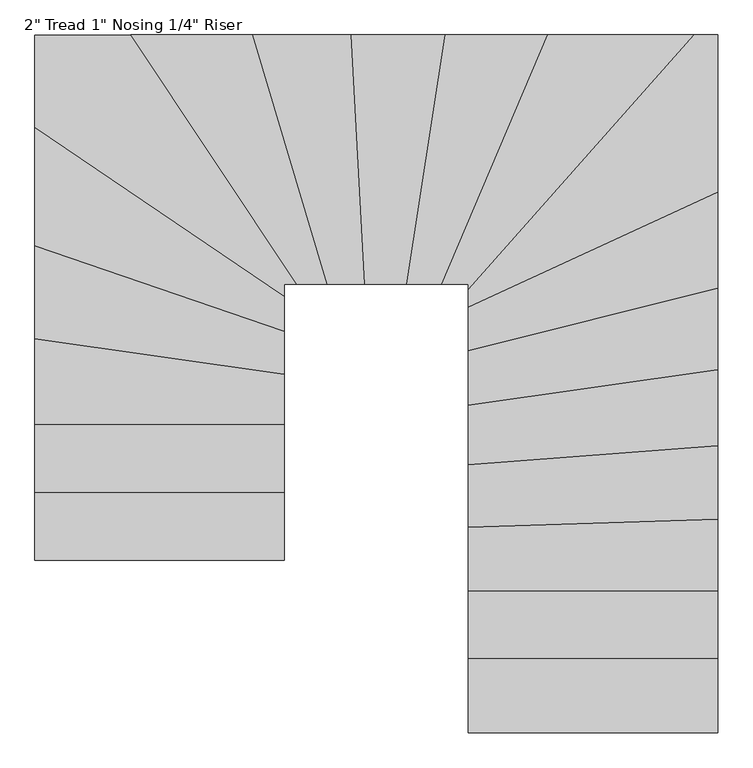
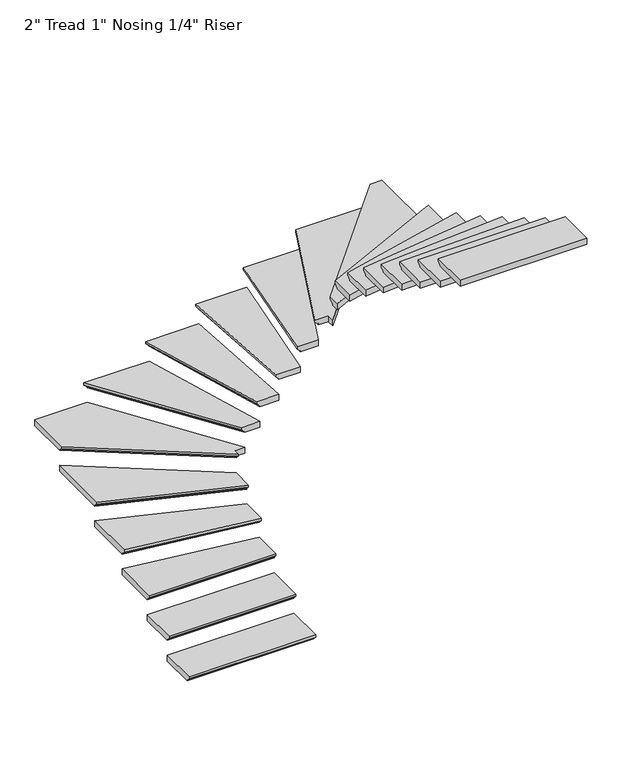
"""IFC4 building model written with IfcOpenShell, lengths in millimetres: stair flight geometry."""

import ifcopenshell
import ifcopenshell.guid

model = None  # the IFC model being written
_history = None  # IfcOwnerHistory: only IFC2X3 demands one
_inside = {}  # id of a spatial element -> (the spatial element, [elements in it])
_under = {}  # id of a project, library or spatial element -> (it, [spatial elements below it])
_declared = {}  # id of a project -> (the project, [libraries it declares])
_typed = {}  # id of a type object -> (the type object, [elements of that type])
_made_of = {}  # id of a material, layer set ... -> (it, [elements and type objects made of it])


def new_model(schema):
    """Start an empty IFC model of exactly this schema.

    Asked for "IFC4X3", IfcOpenShell would pick the latest addendum, in which some entities
    have other attributes; the version numbers below select the first issue.
    IFC2X3 requires an IfcOwnerHistory on every rooted entity: one is made here for all.
    """
    global model, _history
    if schema == "IFC4X3":
        model = ifcopenshell.file(schema_version=(4, 3, 0, 0))
    else:
        model = ifcopenshell.file(schema=schema)
    _inside.clear()
    _under.clear()
    _declared.clear()
    _typed.clear()
    _made_of.clear()
    _history = None
    if model.schema == "IFC2X3":
        org = make("IfcOrganization", Name="unknown")
        user = make(
            "IfcPersonAndOrganization",
            ThePerson=make("IfcPerson", FamilyName="unknown"),
            TheOrganization=org,
        )
        app = make(
            "IfcApplication",
            ApplicationDeveloper=org,
            Version="unknown",
            ApplicationFullName="unknown",
            ApplicationIdentifier="unknown",
        )
        _history = make(
            "IfcOwnerHistory",
            OwningUser=user,
            OwningApplication=app,
            ChangeAction="ADDED",
            CreationDate=0,
        )
    return model


def make(cls, **values):
    """One entity of the class cls with the attributes given. An attribute that is None is left unset."""
    return model.create_entity(
        cls, **{name: value for name, value in values.items() if value is not None}
    )


def rooted(cls, **values):
    """An entity with a GlobalId (a new one), such as an element, a storey or a relation."""
    return make(cls, GlobalId=ifcopenshell.guid.new(), OwnerHistory=_history, **values)


def si_unit(unit_type, name, prefix=None):
    """IfcSIUnit, for example si_unit("LENGTHUNIT", "METRE", prefix="MILLI")."""
    return make("IfcSIUnit", UnitType=unit_type, Prefix=prefix, Name=name)


def assignment(units):
    """IfcUnitAssignment: the units of a project."""
    return None if units is None else make("IfcUnitAssignment", Units=units)


def point(xyz):
    """IfcCartesianPoint."""
    return None if xyz is None else make("IfcCartesianPoint", Coordinates=xyz)


def direction(xyz):
    """IfcDirection."""
    return None if xyz is None else make("IfcDirection", DirectionRatios=xyz)


def frame(location, z_axis=None, x_axis=None):
    """IfcAxis2Placement3D, a coordinate frame: its origin and axes. An axis left out is left unset."""
    return make(
        "IfcAxis2Placement3D",
        Location=point(location),
        Axis=direction(z_axis),
        RefDirection=direction(x_axis),
    )


def origin():
    """The frame at (0, 0, 0) with its axes left unset."""
    return frame((0.0, 0.0, 0.0))


def place(relative_to, where):
    """IfcLocalPlacement: puts the frame where relative to a parent placement (None: the world)."""
    return make(
        "IfcLocalPlacement", PlacementRelTo=relative_to, RelativePlacement=where
    )


def context(
    kind, dimensions, precision=None, world=None, true_north=None, identifier=None
):
    """IfcGeometricRepresentationContext, for example the 3D "Model" context."""
    return make(
        "IfcGeometricRepresentationContext",
        ContextIdentifier=identifier,
        ContextType=kind,
        CoordinateSpaceDimension=dimensions,
        Precision=precision,
        WorldCoordinateSystem=world,
        TrueNorth=true_north,
    )


def project(units=None, contexts=None):
    """IfcProject with its units and contexts."""
    return rooted(
        "IfcProject",
        Name="project",
        RepresentationContexts=contexts,
        UnitsInContext=assignment(units),
    )


def spatial(cls, under=None, at=None, **own):
    """A site, building, storey or space (cls), placed at a placement, below another one or the project."""
    s = rooted(cls, ObjectPlacement=at, **own)
    if under is not None:
        _under.setdefault(under.id(), (under, []))[1].append(s)
    return s


def faces_of(points, faces, orient=None, outer=None):
    """IfcFace entities. A face is a list of loops; a loop is a list of indices into points, from 0.

    orient and outer hold one flag for each loop. By default every Orientation is true, the
    first loop of a face is its IfcFaceOuterBound and the others are IfcFaceBound.
    """
    made = []
    for i, loops in enumerate(faces):
        bounds = []
        for j, loop in enumerate(loops):
            is_outer = j == 0 if outer is None else outer[i][j]
            bounds.append(
                make(
                    "IfcFaceOuterBound" if is_outer else "IfcFaceBound",
                    Bound=make("IfcPolyLoop", Polygon=[points[k] for k in loop]),
                    Orientation=True if orient is None else orient[i][j],
                )
            )
        made.append(make("IfcFace", Bounds=bounds))
    return made


def faceted_brep(points, faces, orient=None, outer=None, voids=None):
    """IfcFacetedBrep: a solid bounded by flat faces; with voids (closed shells), ...WithVoids."""
    shared = [point(p) for p in points]
    hull = make("IfcClosedShell", CfsFaces=faces_of(shared, faces, orient, outer))
    if voids is None:
        return make("IfcFacetedBrep", Outer=hull)
    return make(
        "IfcFacetedBrepWithVoids",
        Outer=hull,
        Voids=[
            make(cls, CfsFaces=faces_of(shared, fs, o, b)) for cls, fs, o, b in voids
        ],
    )


def shape(context_of_items, identifier, shape_type, items):
    """IfcShapeRepresentation: the items that make up one representation, for example the "Body"."""
    return make(
        "IfcShapeRepresentation",
        ContextOfItems=context_of_items,
        RepresentationIdentifier=identifier,
        RepresentationType=shape_type,
        Items=items,
    )


def source(mapping_origin, context_of_items, identifier, shape_type, items):
    """IfcRepresentationMap: a shape defined once, which mapped items show again and again."""
    return make(
        "IfcRepresentationMap",
        MappingOrigin=mapping_origin,
        MappedRepresentation=shape(context_of_items, identifier, shape_type, items),
    )


def transform(
    local_origin,
    x_axis=None,
    y_axis=None,
    z_axis=None,
    scale=None,
    scale2=None,
    scale3=None,
    uniform=True,
):
    """IfcCartesianTransformationOperator3D, or its non-uniform kind. x_axis, y_axis, z_axis: its Axis1, 2, 3."""
    if uniform:
        return make(
            "IfcCartesianTransformationOperator3D",
            Axis1=direction(x_axis),
            Axis2=direction(y_axis),
            LocalOrigin=point(local_origin),
            Scale=scale,
            Axis3=direction(z_axis),
        )
    return make(
        "IfcCartesianTransformationOperator3DnonUniform",
        Axis1=direction(x_axis),
        Axis2=direction(y_axis),
        LocalOrigin=point(local_origin),
        Scale=scale,
        Axis3=direction(z_axis),
        Scale2=scale2,
        Scale3=scale3,
    )


def mapped(mapping_source, mapping_target):
    """IfcMappedItem: shows the shape of a source again, moved by a transform."""
    return make(
        "IfcMappedItem", MappingSource=mapping_source, MappingTarget=mapping_target
    )


def made_of(thing, what):
    """Note that an element or type object is made of a material, layer set ...; save() writes the relation."""
    if what is not None:
        _made_of.setdefault(what.id(), (what, []))[1].append(thing)
    return thing


def element(
    cls,
    number,
    at=None,
    inside=None,
    cuts=None,
    type_object=None,
    material=None,
    context=None,
    identifier="Body",
    shape_type=None,
    held_by="IfcProductDefinitionShape",
    body=None,
    shapes=None,
    **own,
):
    """One element of the class cls, such as IfcWall. Its Tag is "e" and its number.

    at: its placement. inside: the storey or other place that contains it. cuts: it is an
    opening in that element (IfcRelVoidsElement). A single representation is given by context,
    identifier, shape_type and body (its items); several are given by shapes. held_by: the class
    of the entity that holds the representations. save() writes the other relations.
    """
    e = rooted(cls, Tag="e%d" % number, ObjectPlacement=at, **own)
    if body is not None:
        shapes = [shape(context, identifier, shape_type, body)]
    if shapes is not None:
        e.Representation = make(held_by, Representations=shapes)
    if inside is not None:
        _inside.setdefault(inside.id(), (inside, []))[1].append(e)
    if cuts is not None:
        rooted(
            "IfcRelVoidsElement", RelatingBuildingElement=cuts, RelatedOpeningElement=e
        )
    if type_object is not None:
        _typed.setdefault(type_object.id(), (type_object, []))[1].append(e)
    return made_of(e, material)


def aggregate(whole, parts):
    """IfcRelAggregates: a whole, such as a stair, and the parts it consists of."""
    return rooted("IfcRelAggregates", RelatingObject=whole, RelatedObjects=parts)


def save(model, path):
    """Write the relations noted so far, then the file.

    IfcRelAggregates (storeys below a building ...), IfcRelContainedInSpatialStructure (elements
    in a storey), IfcRelDefinesByType, IfcRelAssociatesMaterial and IfcRelDeclares: one each for
    every whole, place, type object, material and project.
    """
    for whole, parts in _under.values():
        aggregate(whole, parts)
    for where, things in _inside.values():
        rooted(
            "IfcRelContainedInSpatialStructure",
            RelatedElements=things,
            RelatingStructure=where,
        )
    for kind, things in _typed.values():
        rooted("IfcRelDefinesByType", RelatedObjects=things, RelatingType=kind)
    for what, things in _made_of.values():
        rooted("IfcRelAssociatesMaterial", RelatedObjects=things, RelatingMaterial=what)
    for by, libraries in _declared.values():
        rooted("IfcRelDeclares", RelatingContext=by, RelatedDefinitions=libraries)
    model.write(path)


def stair_flight_3d540893(model_context):
    return source(origin(), model_context, "Body", "Brep", [
        faceted_brep([(5347.9344111, -3179.2896107, 3358.7277778), (5347.9344111, -3179.2896107, 3377.7777778), (4322.5594563, -3179.2896107, 3377.7777778), (4322.5594563, -3179.2896107, 3358.7277778), (5347.9344111, -3153.8896107, 3333.3277778), (4322.5594563, -3153.8896107, 3333.3277778), (5347.9344111, -2874.4896107, 3377.7777778), (4322.5594563, -2874.4896107, 3377.7777778), (4322.5594563, -3153.8896107, 3326.9777778), (4322.5594563, -2874.4896107, 3326.9777778), (5347.9344111, -2874.4896107, 3326.9777778), (5347.9344111, -3153.8896107, 3326.9777778)], [[[0, 1, 2, 3]], [[4, 0, 3, 5]], [[2, 1, 6, 7]], [[8, 9, 10, 11]], [[2, 7, 9, 8, 5, 3]], [[8, 11, 4, 5]], [[6, 1, 0, 4, 11, 10]], [[7, 6, 10, 9]]]),
        faceted_brep([(4322.5594563, -2620.4896107, 3733.3333333), (5347.9344111, -2620.4896107, 3733.3333333), (5347.9344111, -2388.1181572, 3733.3333333), (4322.5594563, -2242.7531124, 3733.3333333), (4322.5594563, -2595.0896107, 3682.5333333), (4322.5594563, -2242.7531124, 3682.5333333), (5347.9344111, -2388.1181572, 3682.5333333), (5347.9344111, -2595.0896107, 3682.5333333), (4322.5594563, -2595.0896107, 3688.8833333), (4322.5594563, -2620.4896107, 3714.2833333), (5347.9344111, -2595.0896107, 3688.8833333), (5347.9344111, -2620.4896107, 3714.2833333)], [[[0, 1, 2, 3]], [[4, 5, 6, 7]], [[0, 3, 5, 4, 8, 9]], [[4, 7, 10, 8]], [[2, 1, 11, 10, 7, 6]], [[3, 2, 6, 5]], [[11, 1, 0, 9]], [[10, 11, 9, 8]]]),
        faceted_brep([(4322.5594563, -2268.4070882, 3911.1111111), (5347.9344111, -2413.7721331, 3911.1111111), (5347.9344111, -2210.573619, 3911.1111111), (4322.5594563, -1859.1041536, 3911.1111111), (4322.5594563, -2242.7531124, 3860.3111111), (4322.5594563, -1859.1041536, 3860.3111111), (5347.9344111, -2210.573619, 3860.3111111), (5347.9344111, -2388.1181572, 3860.3111111), (4322.5594563, -2242.7531124, 3866.6611111), (4322.5594563, -2268.4070882, 3892.0611111), (5347.9344111, -2388.1181572, 3866.6611111), (5347.9344111, -2413.7721331, 3892.0611111)], [[[0, 1, 2, 3]], [[4, 5, 6, 7]], [[0, 3, 5, 4, 8, 9]], [[4, 7, 10, 8]], [[2, 1, 11, 10, 7, 6]], [[3, 2, 6, 5]], [[11, 1, 0, 9]], [[10, 11, 9, 8]]]),
        faceted_brep([(4322.5594563, -1885.954878, 4088.8888889), (5347.9344111, -2237.4243434, 4088.8888889), (5347.9344111, -2062.3826996, 4088.8888889), (4322.5594563, -1366.3506497, 4088.8888889), (4322.5594563, -1859.1041536, 4038.0888889), (4322.5594563, -1366.3506497, 4038.0888889), (5347.9344111, -2062.3826996, 4038.0888889), (5347.9344111, -2210.573619, 4038.0888889), (4322.5594563, -1859.1041536, 4044.4388889), (4322.5594563, -1885.954878, 4069.8388889), (5347.9344111, -2210.573619, 4044.4388889), (5347.9344111, -2237.4243434, 4069.8388889)], [[[0, 1, 2, 3]], [[4, 5, 6, 7]], [[0, 3, 5, 4, 8, 9]], [[4, 7, 10, 8]], [[2, 1, 11, 10, 7, 6]], [[3, 2, 6, 5]], [[11, 1, 0, 9]], [[10, 11, 9, 8]]]),
        faceted_brep([(4747.7464262, -1017.982756, 4266.6666667), (4322.5594563, -1017.982756, 4266.6666667), (4322.5594563, -1397.0497775, 4266.6666667), (5347.9344111, -2093.0818273, 4266.6666667), (5347.9344111, -2043.3577108, 4266.6666667), (5430.5225076, -2043.3577108, 4266.6666667), (4322.5594563, -1017.982756, 4215.8666667), (4747.7464262, -1017.982756, 4215.8666667), (5430.5225076, -2043.3577108, 4215.8666667), (5347.9344111, -2043.3577108, 4215.8666667), (5347.9344111, -2062.3826996, 4215.8666667), (4322.5594563, -1366.3506497, 4215.8666667), (5347.9344111, -2062.3826996, 4222.2166667), (4322.5594563, -1366.3506497, 4222.2166667), (5347.9344111, -2093.0818273, 4247.6166667), (4322.5594563, -1397.0497775, 4247.6166667)], [[[0, 1, 2, 3, 4, 5]], [[6, 7, 8, 9, 10, 11]], [[1, 0, 7, 6]], [[11, 10, 12, 13]], [[4, 3, 14, 12, 10, 9]], [[0, 5, 8, 7]], [[14, 3, 2, 15]], [[12, 14, 15, 13]], [[2, 1, 6, 11, 13, 15]], [[5, 4, 9, 8]]]),
        faceted_brep([(4717.2305127, -1017.982756, 4444.4444444), (5400.006594, -2043.3577108, 4444.4444444), (5552.347037, -2043.3577108, 4444.4444444), (5246.6057355, -1017.982756, 4444.4444444), (4747.7464262, -1017.982756, 4393.6444444), (5246.6057355, -1017.982756, 4393.6444444), (5552.347037, -2043.3577108, 4393.6444444), (5430.5225076, -2043.3577108, 4393.6444444), (4747.7464262, -1017.982756, 4399.9944444), (4717.2305127, -1017.982756, 4425.3944444), (5430.5225076, -2043.3577108, 4399.9944444), (5400.006594, -2043.3577108, 4425.3944444)], [[[0, 1, 2, 3]], [[4, 5, 6, 7]], [[0, 3, 5, 4, 8, 9]], [[4, 7, 10, 8]], [[2, 1, 11, 10, 7, 6]], [[3, 2, 6, 5]], [[11, 1, 0, 9]], [[10, 11, 9, 8]]]),
        faceted_brep([(5220.100639, -1017.982756, 4622.2222222), (5525.8419404, -2043.3577108, 4622.2222222), (5705.8421375, -2043.3577108, 4622.2222222), (5649.7763241, -1017.982756, 4622.2222222), (5246.6057355, -1017.982756, 4571.4222222), (5649.7763241, -1017.982756, 4571.4222222), (5705.8421375, -2043.3577108, 4571.4222222), (5552.347037, -2043.3577108, 4571.4222222), (5246.6057355, -1017.982756, 4577.7722222), (5220.100639, -1017.982756, 4603.1722222), (5552.347037, -2043.3577108, 4577.7722222), (5525.8419404, -2043.3577108, 4603.1722222)], [[[0, 1, 2, 3]], [[4, 5, 6, 7]], [[0, 3, 5, 4, 8, 9]], [[4, 7, 10, 8]], [[3, 2, 6, 5]], [[11, 1, 0, 9]], [[10, 11, 9, 8]], [[2, 1, 11, 10, 7, 6]]]),
        faceted_brep([(5624.3383829, -1017.982756, 4800.0), (5680.4041964, -2043.3577108, 4800.0), (5878.5194238, -2043.3577108, 4800.0), (6036.4219729, -1017.982756, 4800.0), (5649.7763241, -1017.982756, 4749.2), (6036.4219729, -1017.982756, 4749.2), (5878.5194238, -2043.3577108, 4749.2), (5705.8421375, -2043.3577108, 4749.2), (5649.7763241, -1017.982756, 4755.55), (5624.3383829, -1017.982756, 4780.95), (5705.8421375, -2043.3577108, 4755.55), (5680.4041964, -2043.3577108, 4780.95)], [[[0, 1, 2, 3]], [[4, 5, 6, 7]], [[0, 3, 5, 4, 8, 9]], [[4, 7, 10, 8]], [[2, 1, 11, 10, 7, 6]], [[3, 2, 6, 5]], [[11, 1, 0, 9]], [[10, 11, 9, 8]]]),
        faceted_brep([(6010.7225642, -1017.982756, 4977.7777778), (5852.8200151, -2043.3577108, 4977.7777778), (6024.7848263, -2043.3577108, 4977.7777778), (6461.4411592, -1017.982756, 4977.7777778), (6036.4219729, -1017.982756, 4926.9777778), (6461.4411592, -1017.982756, 4926.9777778), (6024.7848263, -2043.3577108, 4926.9777778), (5878.5194238, -2043.3577108, 4926.9777778), (6036.4219729, -1017.982756, 4933.3277778), (6010.7225642, -1017.982756, 4958.7277778), (5878.5194238, -2043.3577108, 4933.3277778), (5852.8200151, -2043.3577108, 4958.7277778)], [[[0, 1, 2, 3]], [[4, 5, 6, 7]], [[0, 3, 5, 4, 8, 9]], [[4, 7, 10, 8]], [[2, 1, 11, 10, 7, 6]], [[3, 2, 6, 5]], [[11, 1, 0, 9]], [[10, 11, 9, 8]]]),
        faceted_brep([(6433.8339348, -1017.982756, 5155.5555556), (5997.177602, -2043.3577108, 5155.5555556), (6106.9845015, -2043.3577108, 5155.5555556), (6106.9845015, -2105.8614194, 5155.5555556), (7070.582027, -1017.982756, 5155.5555556), (6461.4411592, -1017.982756, 5104.7555556), (7070.582027, -1017.982756, 5104.7555556), (6106.9845015, -2105.8614194, 5104.7555556), (6106.9845015, -2043.3577108, 5104.7555556), (6024.7848263, -2043.3577108, 5104.7555556), (6461.4411592, -1017.982756, 5111.1055556), (6433.8339348, -1017.982756, 5136.5055556), (6024.7848263, -2043.3577108, 5111.1055556), (5997.177602, -2043.3577108, 5136.5055556)], [[[0, 1, 2, 3, 4]], [[5, 6, 7, 8, 9]], [[0, 4, 6, 5, 10, 11]], [[5, 9, 12, 10]], [[2, 1, 13, 12, 9, 8]], [[4, 3, 7, 6]], [[13, 1, 0, 11]], [[12, 13, 11, 10]], [[3, 2, 8, 7]]]),
        faceted_brep([(7132.3594563, -1692.6301748, 5333.3333333), (7132.3594563, -1017.982756, 5333.3333333), (7036.6507478, -1017.982756, 5333.3333333), (6106.9845015, -2067.5538131, 5333.3333333), (6106.9845015, -2167.5459498, 5333.3333333), (7132.3594563, -1017.982756, 5282.5333333), (7132.3594563, -1692.6301748, 5282.5333333), (6106.9845015, -2167.5459498, 5282.5333333), (6106.9845015, -2105.8614194, 5282.5333333), (7070.582027, -1017.982756, 5282.5333333), (6106.9845015, -2105.8614194, 5288.8833333), (7070.582027, -1017.982756, 5288.8833333), (6106.9845015, -2067.5538131, 5314.2833333), (7036.6507478, -1017.982756, 5314.2833333)], [[[0, 1, 2, 3, 4]], [[5, 6, 7, 8, 9]], [[1, 0, 6, 5]], [[9, 8, 10, 11]], [[4, 3, 12, 10, 8, 7]], [[0, 4, 7, 6]], [[12, 3, 2, 13]], [[10, 12, 13, 11]], [[2, 1, 5, 9, 11, 13]]]),
        faceted_brep([(7132.3594563, -1664.6380381, 5511.1111111), (6106.9845015, -2139.5538131, 5511.1111111), (6106.9845015, -2343.889525, 5511.1111111), (7132.3594563, -2086.6567233, 5511.1111111), (7132.3594563, -1692.6301748, 5460.3111111), (7132.3594563, -2086.6567233, 5460.3111111), (6106.9845015, -2343.889525, 5460.3111111), (6106.9845015, -2167.5459498, 5460.3111111), (7132.3594563, -1692.6301748, 5466.6611111), (7132.3594563, -1664.6380381, 5492.0611111), (6106.9845015, -2167.5459498, 5466.6611111), (6106.9845015, -2139.5538131, 5492.0611111)], [[[0, 1, 2, 3]], [[4, 5, 6, 7]], [[0, 3, 5, 4, 8, 9]], [[4, 7, 10, 8]], [[2, 1, 11, 10, 7, 6]], [[3, 2, 6, 5]], [[11, 1, 0, 9]], [[10, 11, 9, 8]]]),
        faceted_brep([(7132.3594563, -2060.4696524, 5688.8888889), (6106.9845015, -2317.7024541, 5688.8888889), (6106.9845015, -2567.2608349, 5688.8888889), (7132.3594563, -2421.0252945, 5688.8888889), (7132.3594563, -2086.6567233, 5638.0888889), (7132.3594563, -2421.0252945, 5638.0888889), (6106.9845015, -2567.2608349, 5638.0888889), (6106.9845015, -2343.889525, 5638.0888889), (7132.3594563, -2086.6567233, 5644.4388889), (7132.3594563, -2060.4696524, 5669.8388889), (6106.9845015, -2343.889525, 5644.4388889), (6106.9845015, -2317.7024541, 5669.8388889)], [[[0, 1, 2, 3]], [[4, 5, 6, 7]], [[0, 3, 5, 4, 8, 9]], [[4, 7, 10, 8]], [[2, 1, 11, 10, 7, 6]], [[3, 2, 6, 5]], [[11, 1, 0, 9]], [[10, 11, 9, 8]]]),
        faceted_brep([(7132.3594563, -2395.3682831, 5866.6666667), (6106.9845015, -2541.6038234, 5866.6666667), (6106.9845015, -2812.6074815, 5866.6666667), (7132.3594563, -2734.1132558, 5866.6666667), (7132.3594563, -2421.0252945, 5815.8666667), (7132.3594563, -2734.1132558, 5815.8666667), (6106.9845015, -2812.6074815, 5815.8666667), (6106.9845015, -2567.2608349, 5815.8666667), (7132.3594563, -2421.0252945, 5822.2166667), (7132.3594563, -2395.3682831, 5847.6166667), (6106.9845015, -2567.2608349, 5822.2166667), (6106.9845015, -2541.6038234, 5847.6166667)], [[[0, 1, 2, 3]], [[4, 5, 6, 7]], [[0, 3, 5, 4, 8, 9]], [[4, 7, 10, 8]], [[2, 1, 11, 10, 7, 6]], [[3, 2, 6, 5]], [[11, 1, 0, 9]], [[10, 11, 9, 8]]]),
        faceted_brep([(7132.3594563, -2708.6389404, 6044.4444444), (6106.9845015, -2787.1331661, 6044.4444444), (6106.9845015, -3069.1225106, 6044.4444444), (7132.3594563, -3036.2756541, 6044.4444444), (7132.3594563, -2734.1132558, 5993.6444444), (7132.3594563, -3036.2756541, 5993.6444444), (6106.9845015, -3069.1225106, 5993.6444444), (6106.9845015, -2812.6074815, 5993.6444444), (7132.3594563, -2734.1132558, 5999.9944444), (7132.3594563, -2708.6389404, 6025.3944444), (6106.9845015, -2812.6074815, 5999.9944444), (6106.9845015, -2787.1331661, 6025.3944444)], [[[0, 1, 2, 3]], [[4, 5, 6, 7]], [[0, 3, 5, 4, 8, 9]], [[4, 7, 10, 8]], [[2, 1, 11, 10, 7, 6]], [[3, 2, 6, 5]], [[11, 1, 0, 9]], [[10, 11, 9, 8]]]),
        faceted_brep([(7132.3594563, -3010.862625, 6222.2222222), (6106.9845015, -3043.7094815, 6222.2222222), (6106.9845015, -3332.0860533, 6222.2222222), (7132.3594563, -3332.0860533, 6222.2222222), (7132.3594563, -3036.2756541, 6171.4222222), (7132.3594563, -3332.0860533, 6171.4222222), (6106.9845015, -3332.0860533, 6171.4222222), (6106.9845015, -3069.1225106, 6171.4222222), (7132.3594563, -3036.2756541, 6177.7722222), (7132.3594563, -3010.862625, 6203.1722222), (6106.9845015, -3069.1225106, 6177.7722222), (6106.9845015, -3043.7094815, 6203.1722222)], [[[0, 1, 2, 3]], [[4, 5, 6, 7]], [[0, 3, 5, 4, 8, 9]], [[4, 7, 10, 8]], [[2, 1, 11, 10, 7, 6]], [[3, 2, 6, 5]], [[11, 1, 0, 9]], [[10, 11, 9, 8]]]),
        faceted_brep([(7132.3594563, -3306.6860533, 6400.0), (6106.9845015, -3306.6860533, 6400.0), (6106.9845015, -3611.4860533, 6400.0), (7132.3594563, -3611.4860533, 6400.0), (7132.3594563, -3332.0860533, 6349.2), (7132.3594563, -3611.4860533, 6349.2), (6106.9845015, -3611.4860533, 6349.2), (6106.9845015, -3332.0860533, 6349.2), (7132.3594563, -3332.0860533, 6355.55), (7132.3594563, -3306.6860533, 6380.95), (6106.9845015, -3332.0860533, 6355.55), (6106.9845015, -3306.6860533, 6380.95)], [[[0, 1, 2, 3]], [[4, 5, 6, 7]], [[0, 3, 5, 4, 8, 9]], [[4, 7, 10, 8]], [[2, 1, 11, 10, 7, 6]], [[3, 2, 6, 5]], [[11, 1, 0, 9]], [[10, 11, 9, 8]]]),
        faceted_brep([(7132.3594563, -3586.0860533, 6577.7777778), (6106.9845015, -3586.0860533, 6577.7777778), (6106.9845015, -3890.8860533, 6577.7777778), (7132.3594563, -3890.8860533, 6577.7777778), (7132.3594563, -3611.4860533, 6526.9777778), (7132.3594563, -3890.8860533, 6526.9777778), (6106.9845015, -3890.8860533, 6526.9777778), (6106.9845015, -3611.4860533, 6526.9777778), (7132.3594563, -3611.4860533, 6533.3277778), (7132.3594563, -3586.0860533, 6558.7277778), (6106.9845015, -3611.4860533, 6533.3277778), (6106.9845015, -3586.0860533, 6558.7277778)], [[[0, 1, 2, 3]], [[4, 5, 6, 7]], [[0, 3, 5, 4, 8, 9]], [[4, 7, 10, 8]], [[2, 1, 11, 10, 7, 6]], [[3, 2, 6, 5]], [[11, 1, 0, 9]], [[10, 11, 9, 8]]]),
        faceted_brep([(4322.5594563, -2899.8896107, 3555.5555556), (5347.9344111, -2899.8896107, 3555.5555556), (5347.9344111, -2595.0896107, 3555.5555556), (4322.5594563, -2595.0896107, 3555.5555556), (4322.5594563, -2874.4896107, 3504.7555556), (4322.5594563, -2595.0896107, 3504.7555556), (5347.9344111, -2595.0896107, 3504.7555556), (5347.9344111, -2874.4896107, 3504.7555556), (4322.5594563, -2874.4896107, 3511.1055556), (4322.5594563, -2899.8896107, 3536.5055556), (5347.9344111, -2874.4896107, 3511.1055556), (5347.9344111, -2899.8896107, 3536.5055556)], [[[0, 1, 2, 3]], [[4, 5, 6, 7]], [[0, 3, 5, 4, 8, 9]], [[4, 7, 10, 8]], [[2, 1, 11, 10, 7, 6]], [[3, 2, 6, 5]], [[11, 1, 0, 9]], [[10, 11, 9, 8]]]),
    ])


if __name__ == "__main__":
    model = new_model("IFC4")
    model_context = context("Model", 3, world=origin())
    ifc_project = project(units=[si_unit("LENGTHUNIT", "METRE", prefix="MILLI")], contexts=[model_context])
    site = spatial("IfcSite", under=ifc_project)
    building = spatial("IfcBuilding", under=site)
    placement = place(None, origin())
    stair_flight_shape = stair_flight_3d540893(model_context)
    element("IfcStairFlight", 1, ObjectType="2\" Tread 1\" Nosing 1/4\" Riser", at=placement, inside=building, context=model_context, shape_type="MappedRepresentation", body=[
        mapped(stair_flight_shape, transform((0.0, 0.0, 0.0), x_axis=(1.0, 0.0, 0.0), y_axis=(0.0, 1.0, 0.0), z_axis=(0.0, 0.0, 1.0))),
    ])
    save(model, "model.ifc")
